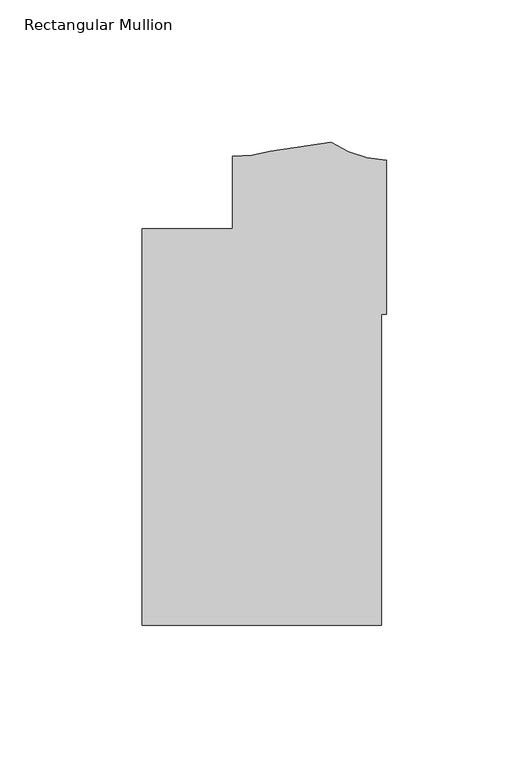
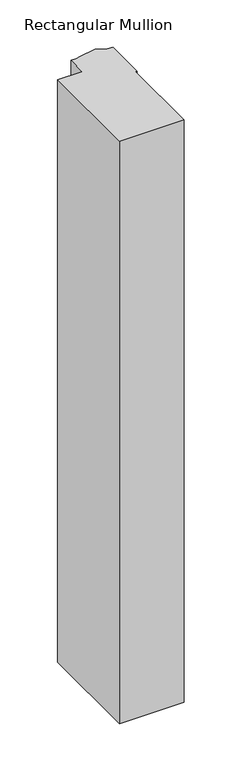
"""IFC4 building model written with IfcOpenShell, lengths in millimetres: member geometry, Rectangular Mullion."""

from ifc_helpers import new_model, si_unit, point, frame, frame_2d, origin, place, context, project, spatial, polyline, circle_curve, trimmed, segment, composite_curve, outline, extrude, source, transform, mapped, element, save


def rectangular_mullion_e4901068(model_context):
    return source(origin(), model_context, "Body", "SweptSolid", [
        extrude(outline(composite_curve([segment(polyline([(-85.8370969, -44.4063437), (-54.0870969, -44.4063437), (-54.0870969, -19.0063459)]), True, "CONTINUOUS"), segment(trimmed(circle_curve(frame_2d((-53.2410377, 24.9774418)), 43.9919242), [point((-54.0870969, -19.0063459))], [point((-40.7045247, -17.1903805))], True, "CARTESIAN"), True, "CONTINUOUS"), segment(trimmed(circle_curve(frame_2d((-48.5375949, 109.5693832)), 127.0015539), [point((-40.7045247, -17.1903805))], [point((-19.5523137, -14.0803162))], True, "CARTESIAN"), True, "CONTINUOUS"), segment(trimmed(circle_curve(frame_2d((1.9614918, 18.9744588)), 39.4393455), [point((-19.5523137, -14.0803162))], [point((0.0, -20.4160798))], True, "CARTESIAN"), True, "CONTINUOUS"), segment(polyline([(0.0, -20.4160798), (0.0, -74.4466097), (-1.8773984, -74.4466097), (-1.8773984, -183.5983438), (-85.8370969, -183.5983438), (-85.8370969, -44.4063437)]), True, "CONTINUOUS")], self_intersect=False)), frame((0.0, 0.0, -799.8618795), z_axis=(0.0, 0.0, 1.0), x_axis=(1.0, 0.0, 0.0)), (0.0, 0.0, 1.0), 799.8618795),
    ])


if __name__ == "__main__":
    model = new_model("IFC4")
    model_context = context("Model", 3, world=origin())
    ifc_project = project(units=[si_unit("LENGTHUNIT", "METRE", prefix="MILLI")], contexts=[model_context])
    site = spatial("IfcSite", under=ifc_project)
    building = spatial("IfcBuilding", under=site)
    placement = place(None, origin())
    rectangular_mullion_shape = rectangular_mullion_e4901068(model_context)
    element("IfcMember", 1, ObjectType="Rectangular Mullion", at=placement, inside=building, context=model_context, shape_type="MappedRepresentation", body=[
        mapped(rectangular_mullion_shape, transform((0.0, 0.0, 0.0), x_axis=(1.0, 0.0, 0.0), y_axis=(0.0, 1.0, 0.0), z_axis=(0.0, 0.0, 1.0))),
    ])
    save(model, "model.ifc")
